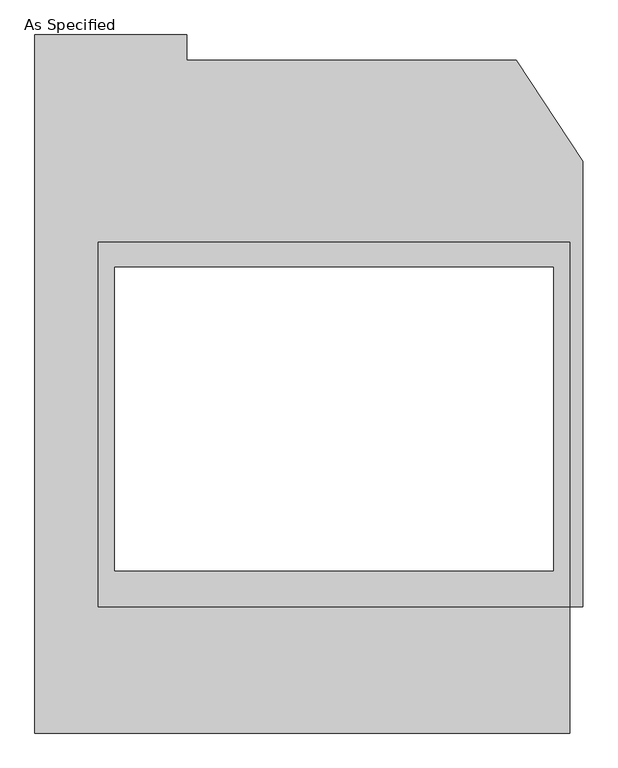
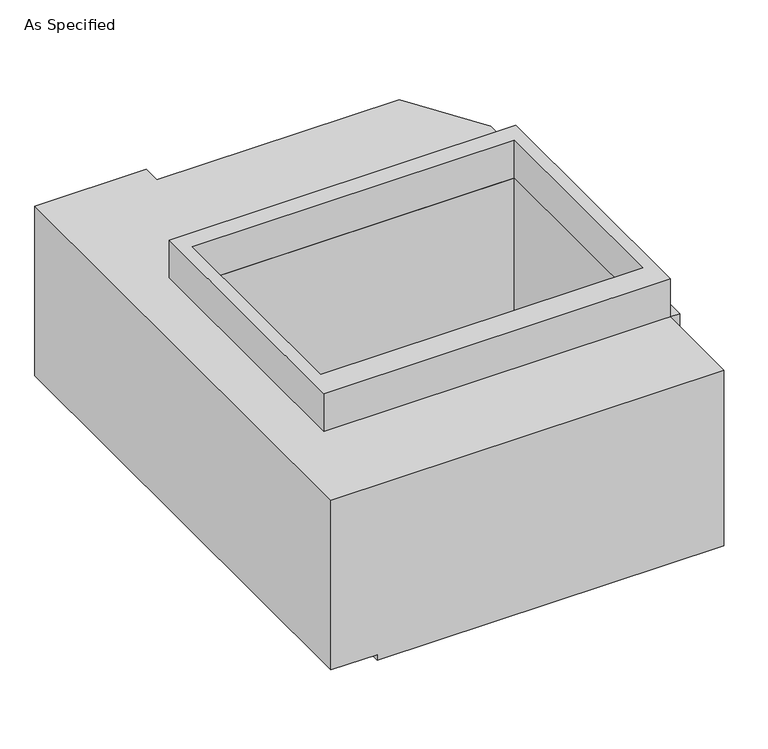
"""IFC4 building model written with IfcOpenShell, lengths in millimetres: proxy geometry, As Specified."""

import ifcopenshell
import ifcopenshell.guid

model = None  # the IFC model being written
_history = None  # IfcOwnerHistory: only IFC2X3 demands one
_inside = {}  # id of a spatial element -> (the spatial element, [elements in it])
_under = {}  # id of a project, library or spatial element -> (it, [spatial elements below it])
_declared = {}  # id of a project -> (the project, [libraries it declares])
_typed = {}  # id of a type object -> (the type object, [elements of that type])
_made_of = {}  # id of a material, layer set ... -> (it, [elements and type objects made of it])


def new_model(schema):
    """Start an empty IFC model of exactly this schema.

    Asked for "IFC4X3", IfcOpenShell would pick the latest addendum, in which some entities
    have other attributes; the version numbers below select the first issue.
    IFC2X3 requires an IfcOwnerHistory on every rooted entity: one is made here for all.
    """
    global model, _history
    if schema == "IFC4X3":
        model = ifcopenshell.file(schema_version=(4, 3, 0, 0))
    else:
        model = ifcopenshell.file(schema=schema)
    _inside.clear()
    _under.clear()
    _declared.clear()
    _typed.clear()
    _made_of.clear()
    _history = None
    if model.schema == "IFC2X3":
        org = make("IfcOrganization", Name="unknown")
        user = make(
            "IfcPersonAndOrganization",
            ThePerson=make("IfcPerson", FamilyName="unknown"),
            TheOrganization=org,
        )
        app = make(
            "IfcApplication",
            ApplicationDeveloper=org,
            Version="unknown",
            ApplicationFullName="unknown",
            ApplicationIdentifier="unknown",
        )
        _history = make(
            "IfcOwnerHistory",
            OwningUser=user,
            OwningApplication=app,
            ChangeAction="ADDED",
            CreationDate=0,
        )
    return model


def make(cls, **values):
    """One entity of the class cls with the attributes given. An attribute that is None is left unset."""
    return model.create_entity(
        cls, **{name: value for name, value in values.items() if value is not None}
    )


def rooted(cls, **values):
    """An entity with a GlobalId (a new one), such as an element, a storey or a relation."""
    return make(cls, GlobalId=ifcopenshell.guid.new(), OwnerHistory=_history, **values)


def si_unit(unit_type, name, prefix=None):
    """IfcSIUnit, for example si_unit("LENGTHUNIT", "METRE", prefix="MILLI")."""
    return make("IfcSIUnit", UnitType=unit_type, Prefix=prefix, Name=name)


def assignment(units):
    """IfcUnitAssignment: the units of a project."""
    return None if units is None else make("IfcUnitAssignment", Units=units)


def point(xyz):
    """IfcCartesianPoint."""
    return None if xyz is None else make("IfcCartesianPoint", Coordinates=xyz)


def direction(xyz):
    """IfcDirection."""
    return None if xyz is None else make("IfcDirection", DirectionRatios=xyz)


def frame(location, z_axis=None, x_axis=None):
    """IfcAxis2Placement3D, a coordinate frame: its origin and axes. An axis left out is left unset."""
    return make(
        "IfcAxis2Placement3D",
        Location=point(location),
        Axis=direction(z_axis),
        RefDirection=direction(x_axis),
    )


def origin():
    """The frame at (0, 0, 0) with its axes left unset."""
    return frame((0.0, 0.0, 0.0))


def place(relative_to, where):
    """IfcLocalPlacement: puts the frame where relative to a parent placement (None: the world)."""
    return make(
        "IfcLocalPlacement", PlacementRelTo=relative_to, RelativePlacement=where
    )


def context(
    kind, dimensions, precision=None, world=None, true_north=None, identifier=None
):
    """IfcGeometricRepresentationContext, for example the 3D "Model" context."""
    return make(
        "IfcGeometricRepresentationContext",
        ContextIdentifier=identifier,
        ContextType=kind,
        CoordinateSpaceDimension=dimensions,
        Precision=precision,
        WorldCoordinateSystem=world,
        TrueNorth=true_north,
    )


def project(units=None, contexts=None):
    """IfcProject with its units and contexts."""
    return rooted(
        "IfcProject",
        Name="project",
        RepresentationContexts=contexts,
        UnitsInContext=assignment(units),
    )


def spatial(cls, under=None, at=None, **own):
    """A site, building, storey or space (cls), placed at a placement, below another one or the project."""
    s = rooted(cls, ObjectPlacement=at, **own)
    if under is not None:
        _under.setdefault(under.id(), (under, []))[1].append(s)
    return s


def polyline(points):
    """IfcPolyline through the points."""
    return make("IfcPolyline", Points=[point(p) for p in points])


def outline(outer, holes=None, kind="AREA"):
    """IfcArbitraryClosedProfileDef: a profile drawn as a closed curve; with holes, ...WithVoids."""
    if holes is None:
        return make("IfcArbitraryClosedProfileDef", ProfileType=kind, OuterCurve=outer)
    return make(
        "IfcArbitraryProfileDefWithVoids",
        ProfileType=kind,
        OuterCurve=outer,
        InnerCurves=holes,
    )


def extrude(swept, where, along, depth):
    """IfcExtrudedAreaSolid: the profile swept, set in the frame where, extruded along a direction by depth."""
    return make(
        "IfcExtrudedAreaSolid",
        SweptArea=swept,
        Position=where,
        ExtrudedDirection=direction(along),
        Depth=depth,
    )


def faces_of(points, faces, orient=None, outer=None):
    """IfcFace entities. A face is a list of loops; a loop is a list of indices into points, from 0.

    orient and outer hold one flag for each loop. By default every Orientation is true, the
    first loop of a face is its IfcFaceOuterBound and the others are IfcFaceBound.
    """
    made = []
    for i, loops in enumerate(faces):
        bounds = []
        for j, loop in enumerate(loops):
            is_outer = j == 0 if outer is None else outer[i][j]
            bounds.append(
                make(
                    "IfcFaceOuterBound" if is_outer else "IfcFaceBound",
                    Bound=make("IfcPolyLoop", Polygon=[points[k] for k in loop]),
                    Orientation=True if orient is None else orient[i][j],
                )
            )
        made.append(make("IfcFace", Bounds=bounds))
    return made


def faceted_brep(points, faces, orient=None, outer=None, voids=None):
    """IfcFacetedBrep: a solid bounded by flat faces; with voids (closed shells), ...WithVoids."""
    shared = [point(p) for p in points]
    hull = make("IfcClosedShell", CfsFaces=faces_of(shared, faces, orient, outer))
    if voids is None:
        return make("IfcFacetedBrep", Outer=hull)
    return make(
        "IfcFacetedBrepWithVoids",
        Outer=hull,
        Voids=[
            make(cls, CfsFaces=faces_of(shared, fs, o, b)) for cls, fs, o, b in voids
        ],
    )


def shape(context_of_items, identifier, shape_type, items):
    """IfcShapeRepresentation: the items that make up one representation, for example the "Body"."""
    return make(
        "IfcShapeRepresentation",
        ContextOfItems=context_of_items,
        RepresentationIdentifier=identifier,
        RepresentationType=shape_type,
        Items=items,
    )


def source(mapping_origin, context_of_items, identifier, shape_type, items):
    """IfcRepresentationMap: a shape defined once, which mapped items show again and again."""
    return make(
        "IfcRepresentationMap",
        MappingOrigin=mapping_origin,
        MappedRepresentation=shape(context_of_items, identifier, shape_type, items),
    )


def transform(
    local_origin,
    x_axis=None,
    y_axis=None,
    z_axis=None,
    scale=None,
    scale2=None,
    scale3=None,
    uniform=True,
):
    """IfcCartesianTransformationOperator3D, or its non-uniform kind. x_axis, y_axis, z_axis: its Axis1, 2, 3."""
    if uniform:
        return make(
            "IfcCartesianTransformationOperator3D",
            Axis1=direction(x_axis),
            Axis2=direction(y_axis),
            LocalOrigin=point(local_origin),
            Scale=scale,
            Axis3=direction(z_axis),
        )
    return make(
        "IfcCartesianTransformationOperator3DnonUniform",
        Axis1=direction(x_axis),
        Axis2=direction(y_axis),
        LocalOrigin=point(local_origin),
        Scale=scale,
        Axis3=direction(z_axis),
        Scale2=scale2,
        Scale3=scale3,
    )


def mapped(mapping_source, mapping_target):
    """IfcMappedItem: shows the shape of a source again, moved by a transform."""
    return make(
        "IfcMappedItem", MappingSource=mapping_source, MappingTarget=mapping_target
    )


def made_of(thing, what):
    """Note that an element or type object is made of a material, layer set ...; save() writes the relation."""
    if what is not None:
        _made_of.setdefault(what.id(), (what, []))[1].append(thing)
    return thing


def element(
    cls,
    number,
    at=None,
    inside=None,
    cuts=None,
    type_object=None,
    material=None,
    context=None,
    identifier="Body",
    shape_type=None,
    held_by="IfcProductDefinitionShape",
    body=None,
    shapes=None,
    **own,
):
    """One element of the class cls, such as IfcWall. Its Tag is "e" and its number.

    at: its placement. inside: the storey or other place that contains it. cuts: it is an
    opening in that element (IfcRelVoidsElement). A single representation is given by context,
    identifier, shape_type and body (its items); several are given by shapes. held_by: the class
    of the entity that holds the representations. save() writes the other relations.
    """
    e = rooted(cls, Tag="e%d" % number, ObjectPlacement=at, **own)
    if body is not None:
        shapes = [shape(context, identifier, shape_type, body)]
    if shapes is not None:
        e.Representation = make(held_by, Representations=shapes)
    if inside is not None:
        _inside.setdefault(inside.id(), (inside, []))[1].append(e)
    if cuts is not None:
        rooted(
            "IfcRelVoidsElement", RelatingBuildingElement=cuts, RelatedOpeningElement=e
        )
    if type_object is not None:
        _typed.setdefault(type_object.id(), (type_object, []))[1].append(e)
    return made_of(e, material)


def aggregate(whole, parts):
    """IfcRelAggregates: a whole, such as a stair, and the parts it consists of."""
    return rooted("IfcRelAggregates", RelatingObject=whole, RelatedObjects=parts)


def save(model, path):
    """Write the relations noted so far, then the file.

    IfcRelAggregates (storeys below a building ...), IfcRelContainedInSpatialStructure (elements
    in a storey), IfcRelDefinesByType, IfcRelAssociatesMaterial and IfcRelDeclares: one each for
    every whole, place, type object, material and project.
    """
    for whole, parts in _under.values():
        aggregate(whole, parts)
    for where, things in _inside.values():
        rooted(
            "IfcRelContainedInSpatialStructure",
            RelatedElements=things,
            RelatingStructure=where,
        )
    for kind, things in _typed.values():
        rooted("IfcRelDefinesByType", RelatedObjects=things, RelatingType=kind)
    for what, things in _made_of.values():
        rooted("IfcRelAssociatesMaterial", RelatedObjects=things, RelatingMaterial=what)
    for by, libraries in _declared.values():
        rooted("IfcRelDeclares", RelatingContext=by, RelatedDefinitions=libraries)
    model.write(path)


def as_specified_be527ac4(model_context):
    return source(origin(), model_context, "Body", "SolidModel", [
        faceted_brep([(-749.3, -633.1148438, -787.4), (-749.3, 1014.1148437, -787.4), (549.860123, 1014.1148437, -787.4), (749.3, 709.6233299, -787.4), (749.3, -633.1148438, -787.4), (711.2, -633.1148438, -787.4), (711.2, -1014.1148438, -787.4), (-711.2, -1014.1148438, -787.4), (-711.2, -633.1148438, -787.4), (660.4, -525.1251563, -787.4), (660.4, 389.2748437, -787.4), (-660.4, 389.2748437, -787.4), (-660.4, -525.1251563, -787.4), (711.2, -1014.1148438, -25.4), (711.2, -633.1148438, -25.4), (749.3, -633.1148438, -25.4), (749.3, 709.6233299, -25.4), (549.860123, 1014.1148437, -25.4), (-444.5, 1014.1148437, -25.4), (-444.5, 1090.2751562, -25.4), (-901.7, 1090.2751562, -25.4), (-901.7, -1014.1148438, -25.4), (660.4, 389.2748437, -25.4), (660.4, -525.1251563, -25.4), (-660.4, -525.1251563, -25.4), (-660.4, 389.2748437, -25.4), (-749.3, 1014.1148437, -762.0), (-444.5, 1014.1148437, -762.0), (-749.3, -633.1148438, -762.0), (-711.2, -633.1148438, -762.0), (-711.2, -1014.1148438, -762.0), (-901.7, -1014.1148438, -762.0), (-901.7, 1090.2751562, -762.0), (-444.5, 1090.2751562, -762.0)], [[[0, 1, 2, 3, 4, 5, 6, 7, 8], [9, 10, 11, 12]], [[13, 14, 15, 16, 17, 18, 19, 20, 21], [22, 23, 24, 25]], [[2, 1, 26, 27, 18, 17]], [[1, 0, 28, 26]], [[4, 15, 14, 5]], [[0, 8, 29, 28]], [[15, 4, 3, 16]], [[6, 5, 14, 13]], [[8, 7, 30, 29]], [[7, 6, 13, 21, 31, 30]], [[30, 31, 32, 33, 27, 26, 28, 29]], [[32, 31, 21, 20]], [[27, 33, 19, 18]], [[33, 32, 20, 19]], [[3, 2, 17, 16]], [[22, 10, 9, 23]], [[23, 9, 12, 24]], [[24, 12, 11, 25]], [[10, 22, 25, 11]]]),
        extrude(outline(polyline([(711.2, 465.4351562), (711.2, -633.1148438), (-711.2, -633.1148438), (-711.2, 465.4351562), (711.2, 465.4351562)]), holes=[polyline([(-660.4, 389.2748437), (-660.4, -525.1251563), (660.4, -525.1251563), (660.4, 389.2748437), (-660.4, 389.2748437)])]), frame((0.0, 0.0, -952.5), z_axis=(0.0, 0.0, 1.0), x_axis=(1.0, 0.0, 0.0)), (0.0, 0.0, 1.0), 1092.2),
    ])


if __name__ == "__main__":
    model = new_model("IFC4")
    model_context = context("Model", 3, world=origin())
    ifc_project = project(units=[si_unit("LENGTHUNIT", "METRE", prefix="MILLI")], contexts=[model_context])
    site = spatial("IfcSite", under=ifc_project)
    building = spatial("IfcBuilding", under=site)
    placement = place(None, origin())
    as_specified_shape = as_specified_be527ac4(model_context)
    element("IfcBuildingElementProxy", 1, Name="As Specified", ObjectType="As Specified", at=placement, inside=building, context=model_context, shape_type="MappedRepresentation", body=[
        mapped(as_specified_shape, transform((0.0, 0.0, 0.0), x_axis=(1.0, 0.0, 0.0), y_axis=(0.0, 1.0, 0.0), z_axis=(0.0, 0.0, 1.0))),
    ])
    save(model, "model.ifc")
